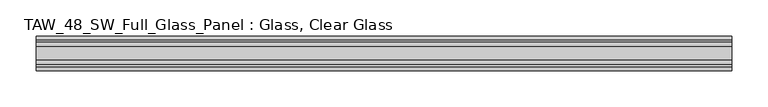
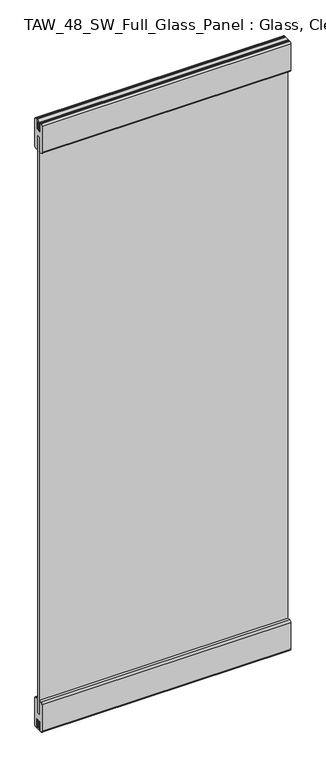
"""IFC4 building model written with IfcOpenShell, lengths in millimetres: plate geometry, TAW_48_SW_Full_Glass_Panel : Glass, Clear Glass."""

from ifc_helpers import new_model, si_unit, point, frame, frame_2d, origin, place, context, project, spatial, polyline, circle_curve, trimmed, segment, composite_curve, outline, extrude, source, transform, mapped, element, save


def taw_48_sw_full_glass_panel_glass_clear_glass_5d9febcd(model_context):
    return source(origin(), model_context, "Body", "SweptSolid", [
        extrude(outline(polyline([(482.8526606, 5.0), (482.8526606, -5.0), (-482.8526606, -5.0), (-482.8526606, 5.0), (482.8526606, 5.0)])), frame((0.0, 0.0, 65.5028724), z_axis=(0.0, 0.0, 1.0), x_axis=(1.0, 0.0, 0.0)), (0.0, 0.0, 1.0), 2369.1638255),
        extrude(outline(composite_curve([segment(polyline([(6.0, 123.0), (16.7, 123.0)]), True, "CONTINUOUS"), segment(trimmed(circle_curve(frame_2d((16.7, 115.7)), 7.3), [point((16.7, 123.0))], [point((24.0, 115.7))], False, "CARTESIAN"), True, "CONTINUOUS"), segment(polyline([(24.0, 115.7), (24.0, 7.2006944)]), True, "CONTINUOUS"), segment(trimmed(circle_curve(frame_2d((16.7, 7.2006944)), 7.3), [point((24.0, 7.2006944))], [point((17.9, 0.0))], False, "CARTESIAN"), True, "CONTINUOUS"), segment(polyline([(17.9, 0.0), (15.5529859, 0.0), (15.5529859, 2.1027745), (10.0, 2.1027745), (10.0, 38.0), (-10.0, 38.0), (-10.0, 2.1027745), (-15.0493747, 2.1027745), (-15.0493747, 0.0), (-18.4598098, 0.0)]), True, "CONTINUOUS"), segment(trimmed(circle_curve(frame_2d((-16.55, 7.2010504)), 7.45), [point((-18.4598098, 0.0))], [point((-24.0, 7.2010504))], False, "CARTESIAN"), True, "CONTINUOUS"), segment(polyline([(-24.0, 7.2010504), (-24.0, 115.55)]), True, "CONTINUOUS"), segment(trimmed(circle_curve(frame_2d((-16.55, 115.55)), 7.45), [point((-24.0, 115.55))], [point((-16.55, 123.0))], False, "CARTESIAN"), True, "CONTINUOUS"), segment(polyline([(-16.55, 123.0), (-6.0, 123.0), (-6.0, 121.4010504), (-9.5, 121.4010504), (-9.5, 65.5028724), (9.5, 65.5028724), (9.5, 121.2506944), (6.0, 121.2506944), (6.0, 123.0)]), True, "CONTINUOUS")], self_intersect=False)), frame((-482.8526606, 0.0, 0.0), z_axis=(1.0, 0.0, 0.0), x_axis=(0.0, 1.0, 0.0)), (0.0, 0.0, 1.0), 965.7053211),
        extrude(outline(polyline([(9.0, 2500.0), (9.0, 2461.2139286), (5.0, 2461.2139286), (5.0, 2496.0), (-5.0, 2496.0), (-5.0, 2461.2139286), (-9.0, 2461.2139286), (-9.0, 2500.0), (9.0, 2500.0)])), frame((-482.8526606, 0.0, 0.0), z_axis=(1.0, 0.0, 0.0), x_axis=(0.0, 1.0, 0.0)), (0.0, 0.0, 1.0), 965.7053211),
        extrude(outline(polyline([(-9.0, 0.0), (-9.0, 38.0), (-5.0, 38.0), (-5.0, 4.0), (5.0, 4.0), (5.0, 38.0), (9.0, 38.0), (9.0, 0.0), (-9.0, 0.0)])), frame((-482.8526606, 0.0, 0.0), z_axis=(1.0, 0.0, 0.0), x_axis=(0.0, 1.0, 0.0)), (0.0, 0.0, 1.0), 965.7053211),
        extrude(outline(composite_curve([segment(polyline([(-6.0, 2377.0), (-16.7, 2377.0)]), True, "CONTINUOUS"), segment(trimmed(circle_curve(frame_2d((-16.7, 2384.3)), 7.3), [point((-16.7, 2377.0))], [point((-24.0, 2384.3))], False, "CARTESIAN"), True, "CONTINUOUS"), segment(polyline([(-24.0, 2384.3), (-24.0, 2492.9688758)]), True, "CONTINUOUS"), segment(trimmed(circle_curve(frame_2d((-16.7, 2492.9688758)), 7.3), [point((-24.0, 2492.9688758))], [point((-18.6629804, 2500.0))], False, "CARTESIAN"), True, "CONTINUOUS"), segment(polyline([(-18.6629804, 2500.0), (-16.0197946, 2500.0), (-16.0197946, 2498.0667957), (-9.5, 2498.0667957), (-9.5, 2461.0667957), (9.5, 2461.0667957), (9.5, 2498.0667957), (16.0197946, 2498.0667957), (16.0197946, 2500.0), (18.6629804, 2500.0)]), True, "CONTINUOUS"), segment(trimmed(circle_curve(frame_2d((16.7, 2492.9688758)), 7.3), [point((18.6629804, 2500.0))], [point((24.0, 2492.9688758))], False, "CARTESIAN"), True, "CONTINUOUS"), segment(polyline([(24.0, 2492.9688758), (24.0, 2384.3)]), True, "CONTINUOUS"), segment(trimmed(circle_curve(frame_2d((16.7, 2384.3)), 7.3), [point((24.0, 2384.3))], [point((16.7, 2377.0))], False, "CARTESIAN"), True, "CONTINUOUS"), segment(polyline([(16.7, 2377.0), (6.0, 2377.0), (6.0, 2378.9188758), (9.5, 2378.9188758), (9.5, 2434.6666978), (-9.5, 2434.6666978), (-9.5, 2378.9188758), (-6.0, 2378.9188758), (-6.0, 2377.0)]), True, "CONTINUOUS")], self_intersect=False)), frame((-482.8526606, 0.0, 0.0), z_axis=(1.0, 0.0, 0.0), x_axis=(0.0, 1.0, 0.0)), (0.0, 0.0, 1.0), 965.7053211),
    ])


if __name__ == "__main__":
    model = new_model("IFC4")
    model_context = context("Model", 3, world=origin())
    ifc_project = project(units=[si_unit("LENGTHUNIT", "METRE", prefix="MILLI")], contexts=[model_context])
    site = spatial("IfcSite", under=ifc_project)
    building = spatial("IfcBuilding", under=site)
    placement = place(None, origin())
    taw_48_sw_full_glass_panel_glass_clear_glass_shape = taw_48_sw_full_glass_panel_glass_clear_glass_5d9febcd(model_context)
    element("IfcPlate", 1, ObjectType="TAW_48_SW_Full_Glass_Panel : Glass, Clear Glass", at=placement, inside=building, context=model_context, shape_type="MappedRepresentation", body=[
        mapped(taw_48_sw_full_glass_panel_glass_clear_glass_shape, transform((0.0, 0.0, 0.0), x_axis=(1.0, 0.0, 0.0), y_axis=(0.0, 1.0, 0.0), z_axis=(0.0, 0.0, 1.0))),
    ])
    save(model, "model.ifc")
